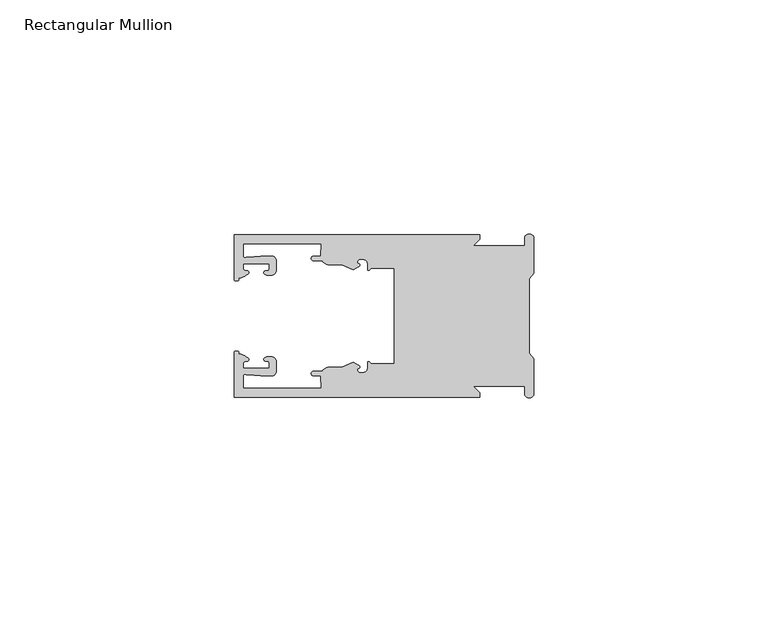
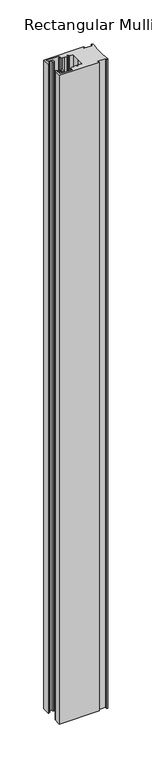
"""IFC4 building model written with IfcOpenShell, lengths in millimetres: member geometry, Rectangular Mullion."""

from ifc_helpers import new_model, si_unit, frame, origin, place, context, project, spatial, polyline, circle_curve, source, transform, mapped, element, save
from ifc_brep_helpers import plane_surface, cylinder_surface, revolved_surface, extruded_surface, spline_curve, advanced_brep


def rectangular_mullion_70a62b7d(model_context):
    return source(origin(), model_context, "Body", "AdvancedBrep", [
        advanced_brep(
        [(-11.5387897, 17.4000478, 0.0), (-64.0387868, 17.4000478, 0.0), (-64.0387868, 7.8350057, 0.0), (-63.2884687, 7.5412947, 0.0), (-62.4614154, 8.1921895, 0.0), (-62.0410649, 9.9426451, 0.0), (-62.0424168, 11.1926444, 0.0), (-56.54242, 11.1985924, 0.0), (-56.5410682, 9.9485931, 0.0), (-57.1085345, 8.7314723, 0.0), (-56.0397166, 8.6991345, 0.0), (-55.0407987, 9.7002154, 0.0), (-55.0430697, 11.8002142, 0.0), (-56.0446364, 12.7991315, 0.0), (-58.3650753, 12.7954945, 0.0), (-61.1340054, 12.5502269, 0.0), (-62.044093, 12.7426435, 0.0), (-62.0469668, 15.4000478, 0.0), (-45.4240312, 15.4000478, 0.0), (-45.5732135, 12.8000478, 0.0), (-47.0387868, 12.8000478, 0.0), (-47.0387868, 11.8000478, 0.0), (-45.2543363, 11.8000478, 0.0), (-43.6387868, 10.9000478, 0.0), (-41.0454034, 10.9000478, 0.0), (-38.5697136, 9.8718293, 0.0), (-37.5387868, 10.4670351, 0.0), (-37.6803436, 11.4201497, 0.0), (-37.0270763, 12.1583697, 0.0), (-36.2010815, 12.0127245, 0.0), (-35.54, 11.2248783, 0.0), (-35.54, 10.0, 0.0), (-34.7705791, 10.25, 0.0), (-29.79, 10.25, 0.0), (-29.79, 0.0, 0.0), (-29.79, -10.25, 0.0), (-34.7705791, -10.25, 0.0), (-35.54, -10.0, 0.0), (-35.54, -11.2248783, 0.0), (-36.2010815, -12.0127245, 0.0), (-37.0270763, -12.1583697, 0.0), (-37.6803436, -11.4201497, 0.0), (-37.5387868, -10.4670351, 0.0), (-38.5697136, -9.8718293, 0.0), (-41.0454034, -10.9000478, 0.0), (-43.6387868, -10.9000478, 0.0), (-45.2543363, -11.8000478, 0.0), (-47.0387868, -11.8000478, 0.0), (-47.0387868, -12.8000478, 0.0), (-45.5732135, -12.8000478, 0.0), (-45.4240312, -15.4000478, 0.0), (-62.0469668, -15.4000478, 0.0), (-62.044093, -12.7426435, 0.0), (-61.1340054, -12.5502269, 0.0), (-58.3650753, -12.7954945, 0.0), (-56.0446364, -12.7991314, 0.0), (-55.0430697, -11.8002142, 0.0), (-55.0407987, -9.7002154, 0.0), (-56.0397166, -8.6991345, 0.0), (-57.1085345, -8.7314723, 0.0), (-56.5410682, -9.9485931, 0.0), (-56.54242, -11.1985924, 0.0), (-62.0424168, -11.1926444, 0.0), (-62.0410649, -9.9426451, 0.0), (-62.4614154, -8.1921895, 0.0), (-63.2884687, -7.5412947, 0.0), (-64.0387868, -7.8350057, 0.0), (-64.0387868, -17.4000478, 0.0), (-11.5387897, -17.4000478, 0.0), (-11.5387897, -16.4000449, 0.0), (-12.9388346, -15.0, 0.0), (-2.0, -15.0, 0.0), (-2.0, -16.5, 0.0), (0.0, -16.5, 0.0), (0.0, -9.1160254, 0.0), (-1.0, -7.9613249, 0.0), (-1.0, 0.0, 0.0), (-1.0, 7.9613249, 0.0), (0.0, 9.1160254, 0.0), (0.0, 16.5, 0.0), (-2.0, 16.5, 0.0), (-2.0, 15.0, 0.0), (-12.9388346, 15.0, 0.0), (-11.5387897, 16.4000449, 0.0), (-11.5387897, 17.4000478, -901.7), (-11.5387897, 16.4000449, -901.7), (-12.9388346, 15.0, -901.7), (-2.0, 15.0, -901.7), (-2.0, 16.5, -901.7), (0.0, 16.5, -901.7), (0.0, 9.1160254, -901.7), (-1.0, 7.9613249, -901.7), (-1.0, 0.0, -901.7), (-1.0, -7.9613249, -901.7), (0.0, -9.1160254, -901.7), (0.0, -16.5, -901.7), (-2.0, -16.5, -901.7), (-2.0, -15.0, -901.7), (-12.9388346, -15.0, -901.7), (-11.5387897, -16.4000449, -901.7), (-11.5387897, -17.4000478, -901.7), (-64.0387868, -17.4000478, -901.7), (-64.0387868, -7.8350057, -901.7), (-63.2884687, -7.5412947, -901.7), (-62.4614154, -8.1921895, -901.7), (-62.0410649, -9.9426451, -901.7), (-62.0424168, -11.1926444, -901.7), (-56.54242, -11.1985924, -901.7), (-56.5410682, -9.9485931, -901.7), (-57.1085345, -8.7314723, -901.7), (-56.0397166, -8.6991345, -901.7), (-55.0407987, -9.7002154, -901.7), (-55.0430697, -11.8002142, -901.7), (-56.0446364, -12.7991315, -901.7), (-58.3650753, -12.7954945, -901.7), (-61.1340054, -12.5502269, -901.7), (-62.044093, -12.7426435, -901.7), (-62.0469668, -15.4000478, -901.7), (-45.4240312, -15.4000478, -901.7), (-45.5732135, -12.8000478, -901.7), (-47.0387868, -12.8000478, -901.7), (-47.0387868, -11.8000478, -901.7), (-45.2543363, -11.8000478, -901.7), (-43.6387868, -10.9000478, -901.7), (-41.0454034, -10.9000478, -901.7), (-38.5697136, -9.8718293, -901.7), (-37.5387868, -10.4670351, -901.7), (-37.6803436, -11.4201497, -901.7), (-37.0270763, -12.1583697, -901.7), (-36.2010815, -12.0127245, -901.7), (-35.54, -11.2248783, -901.7), (-35.54, -10.0, -901.7), (-34.7705791, -10.25, -901.7), (-29.79, -10.25, -901.7), (-29.79, 0.0, -901.7), (-29.79, 10.25, -901.7), (-34.7705791, 10.25, -901.7), (-35.54, 10.0, -901.7), (-35.54, 11.2248783, -901.7), (-36.2010815, 12.0127245, -901.7), (-37.0270763, 12.1583697, -901.7), (-37.6803436, 11.4201497, -901.7), (-37.5387868, 10.4670351, -901.7), (-38.5697136, 9.8718293, -901.7), (-41.0454034, 10.9000478, -901.7), (-43.6387868, 10.9000478, -901.7), (-45.2543363, 11.8000478, -901.7), (-47.0387868, 11.8000478, -901.7), (-47.0387868, 12.8000478, -901.7), (-45.5732135, 12.8000478, -901.7), (-45.4240312, 15.4000478, -901.7), (-62.0469668, 15.4000478, -901.7), (-62.044093, 12.7426435, -901.7), (-61.1340054, 12.5502269, -901.7), (-58.3650753, 12.7954945, -901.7), (-56.0446364, 12.7991314, -901.7), (-55.0430697, 11.8002142, -901.7), (-55.0407987, 9.7002154, -901.7), (-56.0397166, 8.6991345, -901.7), (-57.1085345, 8.7314723, -901.7), (-56.5410682, 9.9485931, -901.7), (-56.54242, 11.1985924, -901.7), (-62.0424168, 11.1926444, -901.7), (-62.0410649, 9.9426451, -901.7), (-62.4614154, 8.1921895, -901.7), (-63.2884687, 7.5412947, -901.7), (-64.0387868, 7.8350057, -901.7), (-64.0387868, 17.4000478, -901.7)],
        [
            (0, 1),
            (1, 2),
            (2, 3, spline_curve(3, [(-64.0387868, 7.8350057, 0.0), (-64.038491377, 7.561831774, 0.0), (-63.788385325, 7.463928087, 0.0), (-63.2884687, 7.5412947, 0.0)], [4, 4], [0.0, 0.0019169337574178654])),
            (3, 4, spline_curve(3, [(-63.2884687, 7.5412947, 0.0), (-63.057760917, 7.582232011, 0.0), (-63.018445067, 7.725390894, 0.0), (-63.019925494, 8.056436881, 0.0), (-63.103444208, 8.236386866, 0.0), (-62.4614154, 8.1921895, 0.0)], [4, 2, 4], [0.0, 0.0010199524164107188, 0.0024874514725970356])),
            (4, 5, spline_curve(3, [(-62.4614154, 8.1921895, 0.0), (-60.988497673, 8.880962536, 0.0), (-60.794045122, 9.192776957, 0.0), (-60.949808078, 9.57023562, 0.0), (-61.145214014, 9.682771697, 0.0), (-61.665835706, 9.714019003, 0.0), (-61.965242574, 9.660891484, 0.0), (-62.0410649, 9.9426451, 0.0)], [4, 2, 2, 4], [0.0, 0.003269869179570428, 0.005490050486237203, 0.0073545767114364426])),
            (5, 6),
            (6, 7),
            (7, 8),
            (8, 9, spline_curve(3, [(-56.5410682, 9.9485931, 0.0), (-56.634838635, 9.597117104, 0.0), (-56.904956774, 9.698238818, 0.0), (-57.324171444, 9.731086209, 0.0), (-57.45969165, 9.646199885, 0.0), (-57.729003352, 9.346016011, 0.0), (-57.859492582, 9.113082158, 0.0), (-57.1085345, 8.7314723, 0.0)], [4, 2, 2, 4], [0.0, 0.001593963049934732, 0.0033360256320283306, 0.005339140673503943])),
            (9, 10),
            (10, 11, circle_curve(frame((-56.0407981, 9.699134, 0.0), z_axis=(0.0, 0.0, 1.0), x_axis=(0.0010814451158627505, -0.9999994152380598, 0.0)), 1.0)),
            (11, 12),
            (12, 13, circle_curve(frame((-56.0430691, 11.7991327, 0.0), z_axis=(0.0, 0.0, 1.0), x_axis=(0.0010814451158627505, -0.9999994152380598, 0.0)), 1.0)),
            (13, 14),
            (14, 15),
            (15, 16, spline_curve(3, [(-61.1340054, 12.5502269, 0.0), (-61.605485428, 12.508463911, 0.0), (-61.992111419, 12.303164326, 0.0), (-62.044093, 12.7426435, 0.0)], [4, 4], [0.0, 0.0014803385355886016])),
            (16, 17),
            (17, 18),
            (18, 19),
            (19, 20),
            (20, 21, circle_curve(frame((-47.0387868, 12.3000478, 0.0), z_axis=(0.0, 0.0, 1.0), x_axis=(0.0, -1.0, 0.0)), 0.5)),
            (21, 22),
            (22, 23, circle_curve(frame((-43.6387868, 12.8000478, 0.0), z_axis=(0.0, 0.0, 1.0), x_axis=(0.0, -1.0, 0.0)), 1.9)),
            (23, 24),
            (24, 25),
            (25, 26),
            (26, 27, spline_curve(3, [(-37.5387868, 10.4670351, 0.0), (-36.973919853, 10.833863985, 0.0), (-37.198159645, 11.135696286, 0.0), (-37.587892011, 11.260246073, 0.0), (-37.754584192, 11.180452419, 0.0), (-37.6803436, 11.4201497, 0.0)], [4, 2, 4], [0.0, 0.0019283703160353726, 0.003394584635652914])),
            (27, 28, circle_curve(frame((-37.0434863, 11.5147359, 0.0), z_axis=(0.0, 0.0, -1.0), x_axis=(0.0, -1.0, 0.0)), 0.643843)),
            (28, 29),
            (29, 30, circle_curve(frame((-36.34, 11.2248783, 0.0), z_axis=(0.0, 0.0, -1.0), x_axis=(0.0, -1.0, 0.0)), 0.8)),
            (30, 31),
            (31, 32, spline_curve(3, [(-35.54, 10.0, 0.0), (-35.440000238, 9.598293201, 0.0), (-35.183526594, 9.681626535, 0.0), (-34.7705791, 10.25, 0.0)], [4, 4], [0.0, 0.0027473296990141553])),
            (32, 33),
            (33, 34),
            (34, 35),
            (35, 36),
            (36, 37, spline_curve(3, [(-34.7705791, -10.25, 0.0), (-35.183526594, -9.681626535, 0.0), (-35.440000238, -9.598293201, 0.0), (-35.54, -10.0, 0.0)], [4, 4], [0.0, 0.0027473296990141553])),
            (37, 38),
            (38, 39, circle_curve(frame((-36.34, -11.2248783, 0.0), z_axis=(0.0, 0.0, -1.0), x_axis=(0.0, 1.0, 0.0)), 0.8)),
            (39, 40),
            (40, 41, circle_curve(frame((-37.0434863, -11.5147359, 0.0), z_axis=(0.0, 0.0, -1.0), x_axis=(0.0, 1.0, 0.0)), 0.643843)),
            (41, 42, spline_curve(3, [(-37.6803436, -11.4201497, 0.0), (-37.754584192, -11.180452419, 0.0), (-37.587892011, -11.260246073, 0.0), (-37.198159645, -11.135696286, 0.0), (-36.973919853, -10.833863985, 0.0), (-37.5387868, -10.4670351, 0.0)], [4, 2, 4], [0.0, 0.0014662143196175414, 0.003394584635652914])),
            (42, 43),
            (43, 44),
            (44, 45),
            (45, 46, circle_curve(frame((-43.6387868, -12.8000478, 0.0), z_axis=(0.0, 0.0, 1.0), x_axis=(0.0, 1.0, 0.0)), 1.9)),
            (46, 47),
            (47, 48, circle_curve(frame((-47.0387868, -12.3000478, 0.0), z_axis=(0.0, 0.0, 1.0), x_axis=(0.0, 1.0, 0.0)), 0.5)),
            (48, 49),
            (49, 50),
            (50, 51),
            (51, 52),
            (52, 53, spline_curve(3, [(-62.044093, -12.7426435, 0.0), (-61.992111419, -12.303164326, 0.0), (-61.605485428, -12.508463911, 0.0), (-61.1340054, -12.5502269, 0.0)], [4, 4], [0.0, 0.0014803385355886016])),
            (53, 54),
            (54, 55),
            (55, 56, circle_curve(frame((-56.0430691, -11.7991327, 0.0), z_axis=(0.0, 0.0, 1.0), x_axis=(0.001081445115855867, 0.9999994152380598, 0.0)), 1.0)),
            (56, 57),
            (57, 58, circle_curve(frame((-56.0407981, -9.699134, 0.0), z_axis=(0.0, 0.0, 1.0), x_axis=(0.001081445115855867, 0.9999994152380598, 0.0)), 1.0)),
            (58, 59),
            (59, 60, spline_curve(3, [(-57.1085345, -8.7314723, 0.0), (-57.859492582, -9.113082158, 0.0), (-57.729003352, -9.346016011, 0.0), (-57.45969165, -9.646199885, 0.0), (-57.324171444, -9.731086209, 0.0), (-56.904956774, -9.698238818, 0.0), (-56.634838635, -9.597117104, 0.0), (-56.5410682, -9.9485931, 0.0)], [4, 2, 2, 4], [0.0, 0.002003115041475612, 0.0037451776235692107, 0.005339140673503943])),
            (60, 61),
            (61, 62),
            (62, 63),
            (63, 64, spline_curve(3, [(-62.0410649, -9.9426451, 0.0), (-61.965242574, -9.660891484, 0.0), (-61.665835706, -9.714019003, 0.0), (-61.145214014, -9.682771697, 0.0), (-60.949808078, -9.57023562, 0.0), (-60.794045122, -9.192776957, 0.0), (-60.988497673, -8.880962536, 0.0), (-62.4614154, -8.1921895, 0.0)], [4, 2, 2, 4], [0.0, 0.0018645262251992395, 0.004084707531866015, 0.0073545767114364426])),
            (64, 65, spline_curve(3, [(-62.4614154, -8.1921895, 0.0), (-63.103444208, -8.236386866, 0.0), (-63.019925494, -8.056436881, 0.0), (-63.018445067, -7.725390894, 0.0), (-63.057760917, -7.582232011, 0.0), (-63.2884687, -7.5412947, 0.0)], [4, 2, 4], [0.0, 0.0014674990561863168, 0.0024874514725970356])),
            (65, 66, spline_curve(3, [(-63.2884687, -7.5412947, 0.0), (-63.788385325, -7.463928087, 0.0), (-64.038491377, -7.561831774, 0.0), (-64.0387868, -7.8350057, 0.0)], [4, 4], [0.0, 0.0019169337574178654])),
            (66, 67),
            (67, 68),
            (68, 69),
            (69, 70),
            (70, 71),
            (71, 72),
            (72, 73, circle_curve(frame((-1.0, -16.5, 0.0), z_axis=(0.0, 0.0, 1.0), x_axis=(0.0, 1.0, 0.0)), 1.0)),
            (73, 74),
            (74, 75),
            (75, 76),
            (76, 77),
            (77, 78),
            (78, 79),
            (79, 80, circle_curve(frame((-1.0, 16.5, 0.0), z_axis=(0.0, 0.0, 1.0), x_axis=(0.0, -1.0, 0.0)), 1.0)),
            (80, 81),
            (81, 82),
            (82, 83),
            (83, 0),
            (84, 85),
            (85, 86),
            (86, 87),
            (87, 88),
            (88, 89, circle_curve(frame((-1.0, 16.5, -901.7), z_axis=(0.0, 0.0, -1.0), x_axis=(0.0, -1.0, 0.0)), 1.0)),
            (89, 90),
            (90, 91),
            (91, 92),
            (92, 93),
            (93, 94),
            (94, 95),
            (95, 96, circle_curve(frame((-1.0, -16.5, -901.7), z_axis=(0.0, 0.0, -1.0), x_axis=(0.0, 1.0, 0.0)), 1.0)),
            (96, 97),
            (97, 98),
            (98, 99),
            (99, 100),
            (100, 101),
            (101, 102),
            (102, 103, spline_curve(3, [(-64.0387868, -7.8350057, -901.7), (-64.038491377, -7.561831774, -901.7), (-63.788385325, -7.463928087, -901.7), (-63.2884687, -7.5412947, -901.7)], [4, 4], [0.0, 0.0019169337574178654])),
            (103, 104, spline_curve(3, [(-63.2884687, -7.5412947, -901.7), (-63.057760917, -7.582232011, -901.7), (-63.018445067, -7.725390894, -901.7), (-63.019925494, -8.056436881, -901.7), (-63.103444208, -8.236386866, -901.7), (-62.4614154, -8.1921895, -901.7)], [4, 2, 4], [0.0, 0.0010199524164107188, 0.0024874514725970356])),
            (104, 105, spline_curve(3, [(-62.4614154, -8.1921895, -901.7), (-60.988497673, -8.880962536, -901.7), (-60.794045122, -9.192776957, -901.7), (-60.949808078, -9.57023562, -901.7), (-61.145214014, -9.682771697, -901.7), (-61.665835706, -9.714019003, -901.7), (-61.965242574, -9.660891484, -901.7), (-62.0410649, -9.9426451, -901.7)], [4, 2, 2, 4], [0.0, 0.003269869179570428, 0.005490050486237203, 0.0073545767114364426])),
            (105, 106),
            (106, 107),
            (107, 108),
            (108, 109, spline_curve(3, [(-56.5410682, -9.9485931, -901.7), (-56.634838635, -9.597117104, -901.7), (-56.904956774, -9.698238818, -901.7), (-57.324171444, -9.731086209, -901.7), (-57.45969165, -9.646199885, -901.7), (-57.729003352, -9.346016011, -901.7), (-57.859492582, -9.113082158, -901.7), (-57.1085345, -8.7314723, -901.7)], [4, 2, 2, 4], [0.0, 0.001593963049934732, 0.0033360256320283306, 0.005339140673503943])),
            (109, 110),
            (110, 111, circle_curve(frame((-56.0407981, -9.699134, -901.7), z_axis=(0.0, 0.0, -1.0), x_axis=(0.001081445115855867, 0.9999994152380598, 0.0)), 1.0)),
            (111, 112),
            (112, 113, circle_curve(frame((-56.0430691, -11.7991327, -901.7), z_axis=(0.0, 0.0, -1.0), x_axis=(0.001081445115855867, 0.9999994152380598, 0.0)), 1.0)),
            (113, 114),
            (114, 115),
            (115, 116, spline_curve(3, [(-61.1340054, -12.5502269, -901.7), (-61.605485428, -12.508463911, -901.7), (-61.992111419, -12.303164326, -901.7), (-62.044093, -12.7426435, -901.7)], [4, 4], [0.0, 0.0014803385355886016])),
            (116, 117),
            (117, 118),
            (118, 119),
            (119, 120),
            (120, 121, circle_curve(frame((-47.0387868, -12.3000478, -901.7), z_axis=(0.0, 0.0, -1.0), x_axis=(0.0, 1.0, 0.0)), 0.5)),
            (121, 122),
            (122, 123, circle_curve(frame((-43.6387868, -12.8000478, -901.7), z_axis=(0.0, 0.0, -1.0), x_axis=(0.0, 1.0, 0.0)), 1.9)),
            (123, 124),
            (124, 125),
            (125, 126),
            (126, 127, spline_curve(3, [(-37.5387868, -10.4670351, -901.7), (-36.973919853, -10.833863985, -901.7), (-37.198159645, -11.135696286, -901.7), (-37.587892011, -11.260246073, -901.7), (-37.754584192, -11.180452419, -901.7), (-37.6803436, -11.4201497, -901.7)], [4, 2, 4], [0.0, 0.0019283703160353726, 0.003394584635652914])),
            (127, 128, circle_curve(frame((-37.0434863, -11.5147359, -901.7), z_axis=(0.0, 0.0, 1.0), x_axis=(0.0, 1.0, 0.0)), 0.643843)),
            (128, 129),
            (129, 130, circle_curve(frame((-36.34, -11.2248783, -901.7), z_axis=(0.0, 0.0, 1.0), x_axis=(0.0, 1.0, 0.0)), 0.8)),
            (130, 131),
            (131, 132, spline_curve(3, [(-35.54, -10.0, -901.7), (-35.440000238, -9.598293201, -901.7), (-35.183526594, -9.681626535, -901.7), (-34.7705791, -10.25, -901.7)], [4, 4], [0.0, 0.0027473296990141553])),
            (132, 133),
            (133, 134),
            (134, 135),
            (135, 136),
            (136, 137, spline_curve(3, [(-34.7705791, 10.25, -901.7), (-35.183526594, 9.681626535, -901.7), (-35.440000238, 9.598293201, -901.7), (-35.54, 10.0, -901.7)], [4, 4], [0.0, 0.0027473296990141553])),
            (137, 138),
            (138, 139, circle_curve(frame((-36.34, 11.2248783, -901.7), z_axis=(0.0, 0.0, 1.0), x_axis=(0.0, -1.0, 0.0)), 0.8)),
            (139, 140),
            (140, 141, circle_curve(frame((-37.0434863, 11.5147359, -901.7), z_axis=(0.0, 0.0, 1.0), x_axis=(0.0, -1.0, 0.0)), 0.643843)),
            (141, 142, spline_curve(3, [(-37.6803436, 11.4201497, -901.7), (-37.754584192, 11.180452419, -901.7), (-37.587892011, 11.260246073, -901.7), (-37.198159645, 11.135696286, -901.7), (-36.973919853, 10.833863985, -901.7), (-37.5387868, 10.4670351, -901.7)], [4, 2, 4], [0.0, 0.0014662143196175414, 0.003394584635652914])),
            (142, 143),
            (143, 144),
            (144, 145),
            (145, 146, circle_curve(frame((-43.6387868, 12.8000478, -901.7), z_axis=(0.0, 0.0, -1.0), x_axis=(0.0, -1.0, 0.0)), 1.9)),
            (146, 147),
            (147, 148, circle_curve(frame((-47.0387868, 12.3000478, -901.7), z_axis=(0.0, 0.0, -1.0), x_axis=(0.0, -1.0, 0.0)), 0.5)),
            (148, 149),
            (149, 150),
            (150, 151),
            (151, 152),
            (152, 153, spline_curve(3, [(-62.044093, 12.7426435, -901.7), (-61.992111419, 12.303164326, -901.7), (-61.605485428, 12.508463911, -901.7), (-61.1340054, 12.5502269, -901.7)], [4, 4], [0.0, 0.0014803385355886016])),
            (153, 154),
            (154, 155),
            (155, 156, circle_curve(frame((-56.0430691, 11.7991327, -901.7), z_axis=(0.0, 0.0, -1.0), x_axis=(0.0010814451158627505, -0.9999994152380598, 0.0)), 1.0)),
            (156, 157),
            (157, 158, circle_curve(frame((-56.0407981, 9.699134, -901.7), z_axis=(0.0, 0.0, -1.0), x_axis=(0.0010814451158627505, -0.9999994152380598, 0.0)), 1.0)),
            (158, 159),
            (159, 160, spline_curve(3, [(-57.1085345, 8.7314723, -901.7), (-57.859492582, 9.113082158, -901.7), (-57.729003352, 9.346016011, -901.7), (-57.45969165, 9.646199885, -901.7), (-57.324171444, 9.731086209, -901.7), (-56.904956774, 9.698238818, -901.7), (-56.634838635, 9.597117104, -901.7), (-56.5410682, 9.9485931, -901.7)], [4, 2, 2, 4], [0.0, 0.002003115041475612, 0.0037451776235692107, 0.005339140673503943])),
            (160, 161),
            (161, 162),
            (162, 163),
            (163, 164, spline_curve(3, [(-62.0410649, 9.9426451, -901.7), (-61.965242574, 9.660891484, -901.7), (-61.665835706, 9.714019003, -901.7), (-61.145214014, 9.682771697, -901.7), (-60.949808078, 9.57023562, -901.7), (-60.794045122, 9.192776957, -901.7), (-60.988497673, 8.880962536, -901.7), (-62.4614154, 8.1921895, -901.7)], [4, 2, 2, 4], [0.0, 0.0018645262251992395, 0.004084707531866015, 0.0073545767114364426])),
            (164, 165, spline_curve(3, [(-62.4614154, 8.1921895, -901.7), (-63.103444208, 8.236386866, -901.7), (-63.019925494, 8.056436881, -901.7), (-63.018445067, 7.725390894, -901.7), (-63.057760917, 7.582232011, -901.7), (-63.2884687, 7.5412947, -901.7)], [4, 2, 4], [0.0, 0.0014674990561863168, 0.0024874514725970356])),
            (165, 166, spline_curve(3, [(-63.2884687, 7.5412947, -901.7), (-63.788385325, 7.463928087, -901.7), (-64.038491377, 7.561831774, -901.7), (-64.0387868, 7.8350057, -901.7)], [4, 4], [0.0, 0.0019169337574178654])),
            (166, 167),
            (167, 84),
            (0, 84),
            (167, 1),
            (166, 2),
            (165, 3),
            (164, 4),
            (163, 5),
            (162, 6),
            (161, 7),
            (160, 8),
            (159, 9),
            (158, 10),
            (157, 11),
            (156, 12),
            (155, 13),
            (154, 14),
            (153, 15),
            (152, 16),
            (151, 17),
            (150, 18),
            (149, 19),
            (148, 20),
            (147, 21),
            (146, 22),
            (145, 23),
            (144, 24),
            (143, 25),
            (142, 26),
            (141, 27),
            (140, 28),
            (139, 29),
            (138, 30),
            (137, 31),
            (136, 32),
            (135, 33),
            (134, 34),
            (133, 35),
            (132, 36),
            (131, 37),
            (130, 38),
            (129, 39),
            (128, 40),
            (127, 41),
            (126, 42),
            (125, 43),
            (124, 44),
            (123, 45),
            (122, 46),
            (121, 47),
            (120, 48),
            (119, 49),
            (118, 50),
            (117, 51),
            (116, 52),
            (115, 53),
            (114, 54),
            (113, 55),
            (112, 56),
            (111, 57),
            (110, 58),
            (109, 59),
            (108, 60),
            (107, 61),
            (106, 62),
            (105, 63),
            (104, 64),
            (103, 65),
            (102, 66),
            (101, 67),
            (100, 68),
            (99, 69),
            (98, 70),
            (97, 71),
            (96, 72),
            (95, 73),
            (94, 74),
            (93, 75),
            (92, 76),
            (91, 77),
            (90, 78),
            (89, 79),
            (88, 80),
            (87, 81),
            (86, 82),
            (85, 83),
        ],
        [
            plane_surface(frame((0.0, -66.3605898, 0.0), z_axis=(0.0, 0.0, 1.0), x_axis=(-1.0, 0.0, 0.0))),
            plane_surface(frame((0.0, -66.3605898, -901.7), z_axis=(0.0, 0.0, -1.0), x_axis=(-1.0, 0.0, 0.0))),
            plane_surface(frame((-11.5387897, 17.4000478, 0.0), z_axis=(0.0, 1.0, 0.0), x_axis=(0.0, 0.0, -1.0))),
            plane_surface(frame((-64.0387868, 17.4000478, 0.0), z_axis=(-1.0, 0.0, 0.0), x_axis=(0.0, 0.0, -1.0))),
            extruded_surface(spline_curve(3, [(-64.0387868, 7.8350057, -901.7), (-64.038491377, 7.561831774, -901.7), (-63.788385325, 7.463928087, -901.7), (-63.2884687, 7.5412947, -901.7)], [4, 4], [0.0, 0.0019169337574178654]), (0.0, 0.0, 901.7), 901.7),
            extruded_surface(spline_curve(3, [(-63.2884687, 7.5412947, -901.7), (-63.057760917, 7.582232011, -901.7), (-63.018445067, 7.725390894, -901.7), (-63.019925494, 8.056436881, -901.7), (-63.103444208, 8.236386866, -901.7), (-62.4614154, 8.1921895, -901.7)], [4, 2, 4], [0.0, 0.0010199524164107188, 0.0024874514725970356]), (0.0, 0.0, 901.7), 901.7),
            extruded_surface(spline_curve(3, [(-62.4614154, 8.1921895, -901.7), (-60.988497673, 8.880962536, -901.7), (-60.794045122, 9.192776957, -901.7), (-60.949808078, 9.57023562, -901.7), (-61.145214014, 9.682771697, -901.7), (-61.665835706, 9.714019003, -901.7), (-61.965242574, 9.660891484, -901.7), (-62.0410649, 9.9426451, -901.7)], [4, 2, 2, 4], [0.0, 0.003269869179570428, 0.005490050486237203, 0.0073545767114364426]), (0.0, 0.0, 901.7), 901.7),
            plane_surface(frame((-62.0410649, 9.9426451, 0.0), z_axis=(0.9999994152380598, 0.0010814451158593665, 0.0), x_axis=(0.0, 0.0, -1.0))),
            plane_surface(frame((-62.0424168, 11.1926444, 0.0), z_axis=(0.0010814451158611391, -0.9999994152380598, 0.0), x_axis=(0.0, 0.0, -1.0))),
            plane_surface(frame((-56.54242, 11.1985924, 0.0), z_axis=(-0.9999994152380598, -0.0010814451158584516, 0.0), x_axis=(0.0, 0.0, -1.0))),
            extruded_surface(spline_curve(3, [(-56.5410682, 9.9485931, -901.7), (-56.634838635, 9.597117104, -901.7), (-56.904956774, 9.698238818, -901.7), (-57.324171444, 9.731086209, -901.7), (-57.45969165, 9.646199885, -901.7), (-57.729003352, 9.346016011, -901.7), (-57.859492582, 9.113082158, -901.7), (-57.1085345, 8.7314723, -901.7)], [4, 2, 2, 4], [0.0, 0.001593963049934732, 0.0033360256320283306, 0.005339140673503943]), (0.0, 0.0, 901.7), 901.7),
            plane_surface(frame((-57.1085345, 8.7314723, 0.0), z_axis=(-0.030241832452869922, -0.9995426111826813, 0.0), x_axis=(0.0, 0.0, -1.0))),
            cylinder_surface(frame((-56.0407981, 9.699134, 0.0), z_axis=(0.0, 0.0, 1.0000000000000002), x_axis=(0.0010814451158627505, -0.9999994152380598, 0.0)), 1.0),
            plane_surface(frame((-55.0407987, 9.7002154, 0.0), z_axis=(0.9999994152380598, 0.001081445115858722, 0.0), x_axis=(0.0, 0.0, -1.0))),
            cylinder_surface(frame((-56.0430691, 11.7991327, 0.0), z_axis=(0.0, 0.0, 1.0000000000000002), x_axis=(0.0010814451158627505, -0.9999994152380598, 0.0)), 1.0),
            plane_surface(frame((-56.0446364, 12.7991314, 0.0), z_axis=(-0.0015673183327907744, 0.9999987717558677, 0.0), x_axis=(0.0, 0.0, -1.0))),
            plane_surface(frame((-58.3650753, 12.7954945, 0.0), z_axis=(-0.08823302167299531, 0.9960998614026874, 0.0), x_axis=(0.0, 0.0, -1.0))),
            extruded_surface(spline_curve(3, [(-61.1340054, 12.5502269, -901.7), (-61.605485428, 12.508463911, -901.7), (-61.992111419, 12.303164326, -901.7), (-62.044093, 12.7426435, -901.7)], [4, 4], [0.0, 0.0014803385355886016]), (0.0, 0.0, 901.7), 901.7),
            plane_surface(frame((-62.044093, 12.7426435, 0.0), z_axis=(0.9999994152380598, 0.0010814451158597813, 0.0), x_axis=(0.0, 0.0, -1.0))),
            plane_surface(frame((-62.0469668, 15.4000478, 0.0), z_axis=(0.0, -1.0, 0.0), x_axis=(0.0, 0.0, -1.0))),
            plane_surface(frame((-45.4240312, 15.4000478, 0.0), z_axis=(-0.9983579461523547, 0.05728360458675776, 0.0), x_axis=(0.0, 0.0, -1.0))),
            plane_surface(frame((-45.5732135, 12.8000478, 0.0), z_axis=(0.0, 1.0, 0.0), x_axis=(0.0, 0.0, -1.0))),
            cylinder_surface(frame((-47.0387868, 12.3000478, 0.0), z_axis=(0.0, 0.0, 1.0), x_axis=(0.0, -1.0, 0.0)), 0.5),
            plane_surface(frame((-47.0387868, 11.8000478, 0.0), z_axis=(0.0, -1.0, 0.0), x_axis=(0.0, 0.0, -1.0))),
            cylinder_surface(frame((-43.6387868, 12.8000478, 0.0), z_axis=(0.0, 0.0, 1.0), x_axis=(0.0, -1.0, 0.0)), 1.9),
            plane_surface(frame((-43.6387868, 10.9000478, 0.0), z_axis=(0.0, -1.0, 0.0), x_axis=(0.0, 0.0, -1.0))),
            plane_surface(frame((-41.0454034, 10.9000478, 0.0), z_axis=(-0.3835602140750569, -0.9235158700199453, 0.0), x_axis=(0.0, 0.0, -1.0))),
            plane_surface(frame((-38.5697136, 9.8718293, 0.0), z_axis=(0.5000000000252295, -0.8660254037698725, 0.0), x_axis=(0.0, 0.0, -1.0))),
            extruded_surface(spline_curve(3, [(-37.5387868, 10.4670351, -901.7), (-36.973919853, 10.833863985, -901.7), (-37.198159645, 11.135696286, -901.7), (-37.587892011, 11.260246073, -901.7), (-37.754584192, 11.180452419, -901.7), (-37.6803436, 11.4201497, -901.7)], [4, 2, 4], [0.0, 0.0019283703160353726, 0.003394584635652914]), (0.0, 0.0, 901.7), 901.7),
            revolved_surface(polyline([(-37.0434863, 10.8708929, -901.7), (-37.0434863, 10.8708929, 0.0)]), (-37.0434863, 11.5147359, 0.0), (0.0, 0.0, -1.0)),
            plane_surface(frame((-37.0270763, 12.1583697, 0.0), z_axis=(-0.17364817767050408, -0.984807753011578, 0.0), x_axis=(0.0, 0.0, -1.0))),
            revolved_surface(polyline([(-36.34, 10.4248783, -901.7), (-36.34, 10.4248783, 0.0)]), (-36.34, 11.2248783, 0.0), (0.0, 0.0, -1.0)),
            plane_surface(frame((-35.54, 11.2248783, 0.0), z_axis=(-1.0, 0.0, 0.0), x_axis=(0.0, 0.0, -1.0))),
            extruded_surface(spline_curve(3, [(-35.54, 10.0, -901.7), (-35.440000238, 9.598293201, -901.7), (-35.183526594, 9.681626535, -901.7), (-34.7705791, 10.25, -901.7)], [4, 4], [0.0, 0.0027473296990141553]), (0.0, 0.0, 901.7), 901.7),
            plane_surface(frame((-34.7705791, 10.25, 0.0), z_axis=(0.0, -1.0, 0.0), x_axis=(0.0, 0.0, -1.0))),
            plane_surface(frame((-29.79, 10.25, 0.0), z_axis=(-1.0, 0.0, 0.0), x_axis=(0.0, 0.0, -1.0))),
            plane_surface(frame((-29.79, 0.0, 0.0), z_axis=(-1.0, 0.0, 0.0), x_axis=(0.0, 0.0, -1.0))),
            plane_surface(frame((-29.79, -10.25, 0.0), z_axis=(0.0, 1.0, 0.0), x_axis=(0.0, 0.0, -1.0))),
            extruded_surface(spline_curve(3, [(-34.7705791, -10.25, -901.7), (-35.183526594, -9.681626535, -901.7), (-35.440000238, -9.598293201, -901.7), (-35.54, -10.0, -901.7)], [4, 4], [0.0, 0.0027473296990141553]), (0.0, 0.0, 901.7), 901.7),
            plane_surface(frame((-35.54, -10.0, 0.0), z_axis=(-1.0, 0.0, 0.0), x_axis=(0.0, 0.0, -1.0))),
            revolved_surface(polyline([(-36.34, -10.4248783, -901.7), (-36.34, -10.4248783, 0.0)]), (-36.34, -11.2248783, 0.0), (0.0, 0.0, -1.0)),
            plane_surface(frame((-36.2010815, -12.0127245, 0.0), z_axis=(-0.17364817767051083, 0.9848077530115767, 0.0), x_axis=(0.0, 0.0, -1.0))),
            revolved_surface(polyline([(-37.0434863, -10.8708929, -901.7), (-37.0434863, -10.8708929, 0.0)]), (-37.0434863, -11.5147359, 0.0), (0.0, 0.0, -1.0)),
            extruded_surface(spline_curve(3, [(-37.6803436, -11.4201497, -901.7), (-37.754584192, -11.180452419, -901.7), (-37.587892011, -11.260246073, -901.7), (-37.198159645, -11.135696286, -901.7), (-36.973919853, -10.833863985, -901.7), (-37.5387868, -10.4670351, -901.7)], [4, 2, 4], [0.0, 0.0014662143196175414, 0.003394584635652914]), (0.0, 0.0, 901.7), 901.7),
            plane_surface(frame((-37.5387868, -10.4670351, 0.0), z_axis=(0.5000000000252234, 0.8660254037698759, 0.0), x_axis=(0.0, 0.0, -1.0))),
            plane_surface(frame((-38.5697136, -9.8718293, 0.0), z_axis=(-0.38356021407506324, 0.9235158700199426, 0.0), x_axis=(0.0, 0.0, -1.0))),
            plane_surface(frame((-41.0454034, -10.9000478, 0.0), z_axis=(0.0, 1.0, 0.0), x_axis=(0.0, 0.0, -1.0))),
            cylinder_surface(frame((-43.6387868, -12.8000478, 0.0), z_axis=(0.0, 0.0, 1.0), x_axis=(0.0, 1.0, 0.0)), 1.9),
            plane_surface(frame((-45.2543363, -11.8000478, 0.0), z_axis=(0.0, 1.0, 0.0), x_axis=(0.0, 0.0, -1.0))),
            cylinder_surface(frame((-47.0387868, -12.3000478, 0.0), z_axis=(0.0, 0.0, 1.0), x_axis=(0.0, 1.0, 0.0)), 0.5),
            plane_surface(frame((-47.0387868, -12.8000478, 0.0), z_axis=(0.0, -1.0, 0.0), x_axis=(0.0, 0.0, -1.0))),
            plane_surface(frame((-45.5732135, -12.8000478, 0.0), z_axis=(-0.9983579461523543, -0.05728360458676463, 0.0), x_axis=(0.0, 0.0, -1.0))),
            plane_surface(frame((-45.4240312, -15.4000478, 0.0), z_axis=(0.0, 1.0, 0.0), x_axis=(0.0, 0.0, -1.0))),
            plane_surface(frame((-62.0469668, -15.4000478, 0.0), z_axis=(0.9999994152380598, -0.001081445115852898, 0.0), x_axis=(0.0, 0.0, -1.0))),
            extruded_surface(spline_curve(3, [(-62.044093, -12.7426435, -901.7), (-61.992111419, -12.303164326, -901.7), (-61.605485428, -12.508463911, -901.7), (-61.1340054, -12.5502269, -901.7)], [4, 4], [0.0, 0.0014803385355886016]), (0.0, 0.0, 901.7), 901.7),
            plane_surface(frame((-61.1340054, -12.5502269, 0.0), z_axis=(-0.08823302167298844, -0.9960998614026879, 0.0), x_axis=(0.0, 0.0, -1.0))),
            plane_surface(frame((-58.3650753, -12.7954945, 0.0), z_axis=(-0.001567318332783891, -0.9999987717558677, 0.0), x_axis=(0.0, 0.0, -1.0))),
            cylinder_surface(frame((-56.0430691, -11.7991327, 0.0), z_axis=(0.0, 0.0, 1.0000000000000002), x_axis=(0.001081445115855867, 0.9999994152380598, 0.0)), 1.0),
            plane_surface(frame((-55.0430697, -11.8002142, 0.0), z_axis=(0.9999994152380598, -0.0010814451158518386, 0.0), x_axis=(0.0, 0.0, -1.0))),
            cylinder_surface(frame((-56.0407981, -9.699134, 0.0), z_axis=(0.0, 0.0, 1.0000000000000002), x_axis=(0.001081445115855867, 0.9999994152380598, 0.0)), 1.0),
            plane_surface(frame((-56.0397166, -8.6991345, 0.0), z_axis=(-0.030241832452876805, 0.9995426111826811, 0.0), x_axis=(0.0, 0.0, -1.0))),
            extruded_surface(spline_curve(3, [(-57.1085345, -8.7314723, -901.7), (-57.859492582, -9.113082158, -901.7), (-57.729003352, -9.346016011, -901.7), (-57.45969165, -9.646199885, -901.7), (-57.324171444, -9.731086209, -901.7), (-56.904956774, -9.698238818, -901.7), (-56.634838635, -9.597117104, -901.7), (-56.5410682, -9.9485931, -901.7)], [4, 2, 2, 4], [0.0, 0.002003115041475612, 0.0037451776235692107, 0.005339140673503943]), (0.0, 0.0, 901.7), 901.7),
            plane_surface(frame((-56.5410682, -9.9485931, 0.0), z_axis=(-0.9999994152380598, 0.0010814451158515682, 0.0), x_axis=(0.0, 0.0, -1.0))),
            plane_surface(frame((-56.54242, -11.1985924, 0.0), z_axis=(0.0010814451158542558, 0.9999994152380598, 0.0), x_axis=(0.0, 0.0, -1.0))),
            plane_surface(frame((-62.0424168, -11.1926444, 0.0), z_axis=(0.9999994152380598, -0.001081445115852483, 0.0), x_axis=(0.0, 0.0, -1.0))),
            extruded_surface(spline_curve(3, [(-62.0410649, -9.9426451, -901.7), (-61.965242574, -9.660891484, -901.7), (-61.665835706, -9.714019003, -901.7), (-61.145214014, -9.682771697, -901.7), (-60.949808078, -9.57023562, -901.7), (-60.794045122, -9.192776957, -901.7), (-60.988497673, -8.880962536, -901.7), (-62.4614154, -8.1921895, -901.7)], [4, 2, 2, 4], [0.0, 0.0018645262251992395, 0.004084707531866015, 0.0073545767114364426]), (0.0, 0.0, 901.7), 901.7),
            extruded_surface(spline_curve(3, [(-62.4614154, -8.1921895, -901.7), (-63.103444208, -8.236386866, -901.7), (-63.019925494, -8.056436881, -901.7), (-63.018445067, -7.725390894, -901.7), (-63.057760917, -7.582232011, -901.7), (-63.2884687, -7.5412947, -901.7)], [4, 2, 4], [0.0, 0.0014674990561863168, 0.0024874514725970356]), (0.0, 0.0, 901.7), 901.7),
            extruded_surface(spline_curve(3, [(-63.2884687, -7.5412947, -901.7), (-63.788385325, -7.463928087, -901.7), (-64.038491377, -7.561831774, -901.7), (-64.0387868, -7.8350057, -901.7)], [4, 4], [0.0, 0.0019169337574178654]), (0.0, 0.0, 901.7), 901.7),
            plane_surface(frame((-64.0387868, -7.8350057, 0.0), z_axis=(-1.0, 0.0, 0.0), x_axis=(0.0, 0.0, -1.0))),
            plane_surface(frame((-64.0387868, -17.4000478, 0.0), z_axis=(0.0, -1.0, 0.0), x_axis=(0.0, 0.0, -1.0))),
            plane_surface(frame((-11.5387897, -17.4000478, 0.0), z_axis=(1.0, 0.0, 0.0), x_axis=(0.0, 0.0, -1.0))),
            plane_surface(frame((-11.5387897, -16.4000449, 0.0), z_axis=(0.7071067811865457, 0.7071067811865493, 0.0), x_axis=(0.0, 0.0, -1.0))),
            plane_surface(frame((-12.9388346, -15.0, 0.0), z_axis=(0.0, -1.0, 0.0), x_axis=(0.0, 0.0, -1.0))),
            plane_surface(frame((-2.0, -15.0, 0.0), z_axis=(-1.0, 0.0, 0.0), x_axis=(0.0, 0.0, -1.0))),
            cylinder_surface(frame((-1.0, -16.5, 0.0), z_axis=(0.0, 0.0, 1.0), x_axis=(0.0, 1.0, 0.0)), 1.0),
            plane_surface(frame((0.0, -16.5, 0.0), z_axis=(1.0, 0.0, 0.0), x_axis=(0.0, 0.0, -1.0))),
            plane_surface(frame((0.0, -9.1160254, 0.0), z_axis=(0.7559289460231527, 0.6546536707025522, 0.0), x_axis=(0.0, 0.0, -1.0))),
            plane_surface(frame((-1.0, -7.9613249, 0.0), z_axis=(1.0, 0.0, 0.0), x_axis=(0.0, 0.0, -1.0))),
            plane_surface(frame((-1.0, 0.0, 0.0), z_axis=(1.0, 0.0, 0.0), x_axis=(0.0, 0.0, -1.0))),
            plane_surface(frame((-1.0, 7.9613249, 0.0), z_axis=(0.7559289460231571, -0.654653670702547, 0.0), x_axis=(0.0, 0.0, -1.0))),
            plane_surface(frame((0.0, 9.1160254, 0.0), z_axis=(1.0, 0.0, 0.0), x_axis=(0.0, 0.0, -1.0))),
            cylinder_surface(frame((-1.0, 16.5, 0.0), z_axis=(0.0, 0.0, 1.0), x_axis=(0.0, -1.0, 0.0)), 1.0),
            plane_surface(frame((-2.0, 16.5, 0.0), z_axis=(-1.0, 0.0, 0.0), x_axis=(0.0, 0.0, -1.0))),
            plane_surface(frame((-2.0, 15.0, 0.0), z_axis=(0.0, 1.0, 0.0), x_axis=(0.0, 0.0, -1.0))),
            plane_surface(frame((-12.9388346, 15.0, 0.0), z_axis=(0.7071067811865507, -0.7071067811865446, 0.0), x_axis=(0.0, 0.0, -1.0))),
            plane_surface(frame((-11.5387897, 16.4000449, 0.0), z_axis=(1.0, 0.0, 0.0), x_axis=(0.0, 0.0, -1.0))),
        ],
        [
            (0, [[1, 2, 3, 4, 5, 6, 7, 8, 9, 10, 11, 12, 13, 14, 15, 16, 17, 18, 19, 20, 21, 22, 23, 24, 25, 26, 27, 28, 29, 30, 31, 32, 33, 34, 35, 36, 37, 38, 39, 40, 41, 42, 43, 44, 45, 46, 47, 48, 49, 50, 51, 52, 53, 54, 55, 56, 57, 58, 59, 60, 61, 62, 63, 64, 65, 66, 67, 68, 69, 70, 71, 72, 73, 74, 75, 76, 77, 78, 79, 80, 81, 82, 83, 84]]),
            (1, [[85, 86, 87, 88, 89, 90, 91, 92, 93, 94, 95, 96, 97, 98, 99, 100, 101, 102, 103, 104, 105, 106, 107, 108, 109, 110, 111, 112, 113, 114, 115, 116, 117, 118, 119, 120, 121, 122, 123, 124, 125, 126, 127, 128, 129, 130, 131, 132, 133, 134, 135, 136, 137, 138, 139, 140, 141, 142, 143, 144, 145, 146, 147, 148, 149, 150, 151, 152, 153, 154, 155, 156, 157, 158, 159, 160, 161, 162, 163, 164, 165, 166, 167, 168]]),
            (2, [[-1, 169, -168, 170]]),
            (3, [[-2, -170, -167, 171]]),
            (4, [[-3, -171, -166, 172]]),
            (5, [[-4, -172, -165, 173]]),
            (6, [[-5, -173, -164, 174]]),
            (7, [[-6, -174, -163, 175]]),
            (8, [[-7, -175, -162, 176]]),
            (9, [[-8, -176, -161, 177]]),
            (10, [[-9, -177, -160, 178]]),
            (11, [[-10, -178, -159, 179]]),
            (12, [[-11, -179, -158, 180]]),
            (13, [[-12, -180, -157, 181]]),
            (14, [[-13, -181, -156, 182]]),
            (15, [[-14, -182, -155, 183]]),
            (16, [[-15, -183, -154, 184]]),
            (17, [[-16, -184, -153, 185]]),
            (18, [[-17, -185, -152, 186]]),
            (19, [[-18, -186, -151, 187]]),
            (20, [[-19, -187, -150, 188]]),
            (21, [[-20, -188, -149, 189]]),
            (22, [[-21, -189, -148, 190]]),
            (23, [[-22, -190, -147, 191]]),
            (24, [[-23, -191, -146, 192]]),
            (25, [[-24, -192, -145, 193]]),
            (26, [[-25, -193, -144, 194]]),
            (27, [[-26, -194, -143, 195]]),
            (28, [[-27, -195, -142, 196]]),
            (29, [[-28, -196, -141, 197]]),
            (30, [[-29, -197, -140, 198]]),
            (31, [[-30, -198, -139, 199]]),
            (32, [[-31, -199, -138, 200]]),
            (33, [[-32, -200, -137, 201]]),
            (34, [[-33, -201, -136, 202]]),
            (35, [[-34, -202, -135, 203]]),
            (36, [[-35, -203, -134, 204]]),
            (37, [[-36, -204, -133, 205]]),
            (38, [[-37, -205, -132, 206]]),
            (39, [[-38, -206, -131, 207]]),
            (40, [[-39, -207, -130, 208]]),
            (41, [[-40, -208, -129, 209]]),
            (42, [[-41, -209, -128, 210]]),
            (43, [[-42, -210, -127, 211]]),
            (44, [[-43, -211, -126, 212]]),
            (45, [[-44, -212, -125, 213]]),
            (46, [[-45, -213, -124, 214]]),
            (47, [[-46, -214, -123, 215]]),
            (48, [[-47, -215, -122, 216]]),
            (49, [[-48, -216, -121, 217]]),
            (50, [[-49, -217, -120, 218]]),
            (51, [[-50, -218, -119, 219]]),
            (52, [[-51, -219, -118, 220]]),
            (53, [[-52, -220, -117, 221]]),
            (54, [[-53, -221, -116, 222]]),
            (55, [[-54, -222, -115, 223]]),
            (56, [[-55, -223, -114, 224]]),
            (57, [[-56, -224, -113, 225]]),
            (58, [[-57, -225, -112, 226]]),
            (59, [[-58, -226, -111, 227]]),
            (60, [[-59, -227, -110, 228]]),
            (61, [[-60, -228, -109, 229]]),
            (62, [[-61, -229, -108, 230]]),
            (63, [[-62, -230, -107, 231]]),
            (64, [[-63, -231, -106, 232]]),
            (65, [[-64, -232, -105, 233]]),
            (66, [[-65, -233, -104, 234]]),
            (67, [[-66, -234, -103, 235]]),
            (68, [[-67, -235, -102, 236]]),
            (69, [[-68, -236, -101, 237]]),
            (70, [[-69, -237, -100, 238]]),
            (71, [[-70, -238, -99, 239]]),
            (72, [[-71, -239, -98, 240]]),
            (73, [[-72, -240, -97, 241]]),
            (74, [[-73, -241, -96, 242]]),
            (75, [[-74, -242, -95, 243]]),
            (76, [[-75, -243, -94, 244]]),
            (77, [[-76, -244, -93, 245]]),
            (78, [[-77, -245, -92, 246]]),
            (79, [[-78, -246, -91, 247]]),
            (80, [[-79, -247, -90, 248]]),
            (81, [[-80, -248, -89, 249]]),
            (82, [[-81, -249, -88, 250]]),
            (83, [[-82, -250, -87, 251]]),
            (84, [[-83, -251, -86, 252]]),
            (85, [[-84, -252, -85, -169]]),
        ],
    ),
    ])


if __name__ == "__main__":
    model = new_model("IFC4")
    model_context = context("Model", 3, world=origin())
    ifc_project = project(units=[si_unit("LENGTHUNIT", "METRE", prefix="MILLI")], contexts=[model_context])
    site = spatial("IfcSite", under=ifc_project)
    building = spatial("IfcBuilding", under=site)
    placement = place(None, origin())
    rectangular_mullion_shape = rectangular_mullion_70a62b7d(model_context)
    element("IfcMember", 1, ObjectType="Rectangular Mullion", at=placement, inside=building, context=model_context, shape_type="MappedRepresentation", body=[
        mapped(rectangular_mullion_shape, transform((0.0, 0.0, 0.0), x_axis=(1.0, 0.0, 0.0), y_axis=(0.0, 1.0, 0.0), z_axis=(0.0, 0.0, 1.0))),
    ])
    save(model, "model.ifc")
